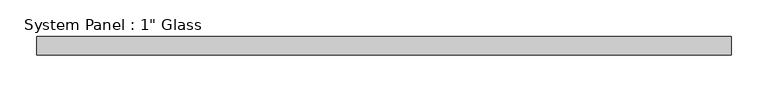
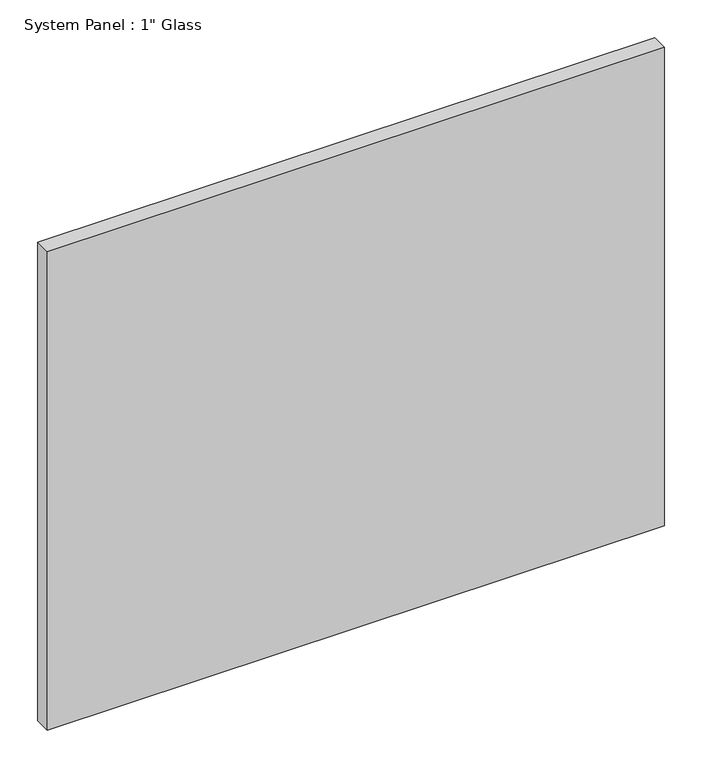
"""IFC4 building model written with IfcOpenShell, lengths in millimetres: plate geometry."""

from ifc_helpers import new_model, si_unit, origin, origin_with_axes, place, context, project, spatial, polyline, outline, extrude, source, transform, mapped, element, save


def plate_6cc4516a(model_context):
    return source(origin(), model_context, "Body", "SweptSolid", [
        extrude(outline(polyline([(472.6408815, -12.7), (-472.6408815, -12.7), (-472.6408815, 12.7), (472.6408815, 12.7), (472.6408815, -12.7)])), origin_with_axes(), (0.0, 0.0, 1.0), 774.7),
    ])


if __name__ == "__main__":
    model = new_model("IFC4")
    model_context = context("Model", 3, world=origin())
    ifc_project = project(units=[si_unit("LENGTHUNIT", "METRE", prefix="MILLI")], contexts=[model_context])
    site = spatial("IfcSite", under=ifc_project)
    building = spatial("IfcBuilding", under=site)
    placement = place(None, origin())
    plate_shape = plate_6cc4516a(model_context)
    element("IfcPlate", 1, ObjectType="System Panel : 1\" Glass", at=placement, inside=building, context=model_context, shape_type="MappedRepresentation", body=[
        mapped(plate_shape, transform((0.0, 0.0, 0.0), x_axis=(1.0, 0.0, 0.0), y_axis=(0.0, 1.0, 0.0), z_axis=(0.0, 0.0, 1.0))),
    ])
    save(model, "model.ifc")
